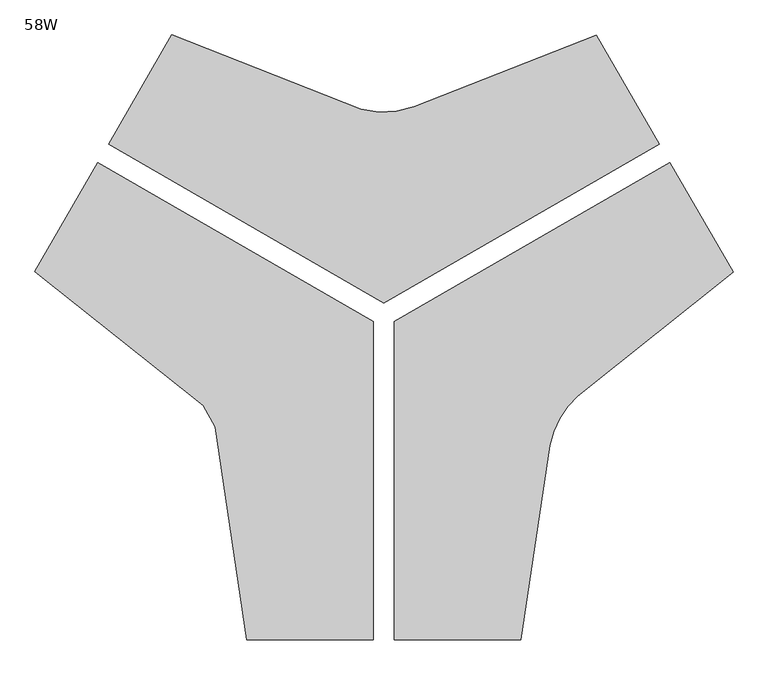
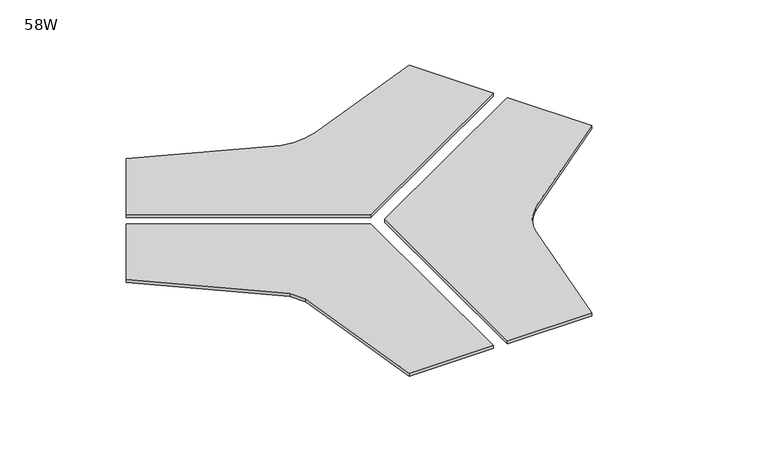
"""IFC4 building model written with IfcOpenShell, lengths in millimetres: furniture geometry, 58W."""

from ifc_helpers import new_model, si_unit, point, frame, frame_2d, origin, place, context, project, spatial, polyline, circle_curve, trimmed, segment, composite_curve, outline, extrude, source, transform, mapped, element, save


def furniture_58w_7f47edba(model_context):
    return source(origin(), model_context, "Body", "SweptSolid", [
        extrude(outline(polyline([(792.0519126, 808.235036), (792.0519126, 2089.4110024), (816.4613957, 2089.4110024), (816.4613957, 808.235036), (792.0519126, 808.235036)])), frame((0.0, 0.0, 635.8646825), z_axis=(0.0, 0.0, 1.0), x_axis=(1.0, 0.0, 0.0)), (0.0, 0.0, 1.0), 64.262),
        extrude(outline(polyline([(-397.6808587, 2868.9126433), (-385.4761171, 2890.0518758), (724.0548165, 2249.4638926), (711.8500749, 2228.3246601), (-397.6808587, 2868.9126433)])), frame((0.0, 0.0, 635.8646825), z_axis=(0.0, 0.0, 1.0), x_axis=(1.0, 0.0, 0.0)), (0.0, 0.0, 1.0), 64.262),
        extrude(outline(composite_curve([segment(polyline([(2150.1538335, 3024.981779), (865.5228833, 2283.2997541), (-419.108067, 3024.981779), (-124.2916017, 3535.6188758), (757.8095207, 3188.5056428)]), True, "CONTINUOUS"), segment(trimmed(circle_curve(frame_2d((863.392362, 3596.8599509)), 421.7830928), [point((757.8095207, 3188.5056428))], [point((1007.1512299, 3200.3320638))], True, "CARTESIAN"), True, "CONTINUOUS"), segment(polyline([(1007.1512299, 3200.3320638), (1856.0521795, 3534.3807863), (2150.1538335, 3024.981779)]), True, "CONTINUOUS")], self_intersect=False)), frame((0.0, 0.0, 700.1266825), z_axis=(0.0, 0.0, 1.0), x_axis=(1.0, 0.0, 0.0)), (0.0, 0.0, 1.0), 23.7733175),
        extrude(outline(composite_curve([segment(polyline([(914.5843708, 711.6439614), (914.5843708, 2196.1129292), (2200.172208, 2938.3474131), (2494.8533963, 2427.9446229), (1769.1537565, 1850.2833546)]), True, "CONTINUOUS"), segment(trimmed(circle_curve(frame_2d((2047.7290935, 1543.5535521)), 414.3517709), [point((1769.1537565, 1850.2833546))], [point((1640.0524768, 1617.6289617))], True, "CARTESIAN"), True, "CONTINUOUS"), segment(polyline([(1640.0524768, 1617.6289617), (1504.3287824, 711.6439614), (914.5843708, 711.6439614)]), True, "CONTINUOUS")], self_intersect=False)), frame((0.0, 0.0, 700.1266825), z_axis=(0.0, 0.0, 1.0), x_axis=(1.0, 0.0, 0.0)), (0.0, 0.0, 1.0), 23.7733175),
        extrude(outline(composite_curve([segment(polyline([(816.4613957, 711.6439614), (226.5949811, 711.6439614), (77.6328194, 1705.9985922)]), True, "CONTINUOUS"), segment(trimmed(circle_curve(frame_2d((-586.8819331, 1394.7337772)), 733.8021814), [point((77.6328194, 1705.9985922))], [point((21.7065605, 1804.7163219))], True, "CARTESIAN"), True, "CONTINUOUS"), segment(polyline([(21.7065605, 1804.7163219), (-762.9984279, 2429.3462017), (-469.1264415, 2938.3474131), (816.4613957, 2196.1129292), (816.4613957, 711.6439614)]), True, "CONTINUOUS")], self_intersect=False)), frame((0.0, 0.0, 700.1266825), z_axis=(0.0, 0.0, 1.0), x_axis=(1.0, 0.0, 0.0)), (0.0, 0.0, 1.0), 23.7733175),
    ])


if __name__ == "__main__":
    model = new_model("IFC4")
    model_context = context("Model", 3, world=origin())
    ifc_project = project(units=[si_unit("LENGTHUNIT", "METRE", prefix="MILLI")], contexts=[model_context])
    site = spatial("IfcSite", under=ifc_project)
    building = spatial("IfcBuilding", under=site)
    placement = place(None, origin())
    furniture_58w_shape = furniture_58w_7f47edba(model_context)
    element("IfcFurniture", 1, ObjectType="58W", at=placement, inside=building, context=model_context, shape_type="MappedRepresentation", body=[
        mapped(furniture_58w_shape, transform((0.0, 0.0, 0.0), x_axis=(1.0, 0.0, 0.0), y_axis=(0.0, 1.0, 0.0), z_axis=(0.0, 0.0, 1.0))),
    ])
    save(model, "model.ifc")
